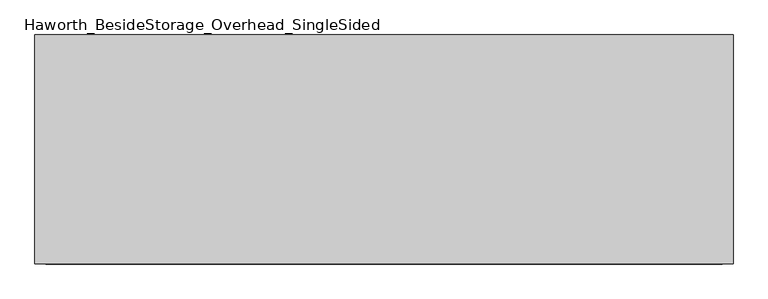
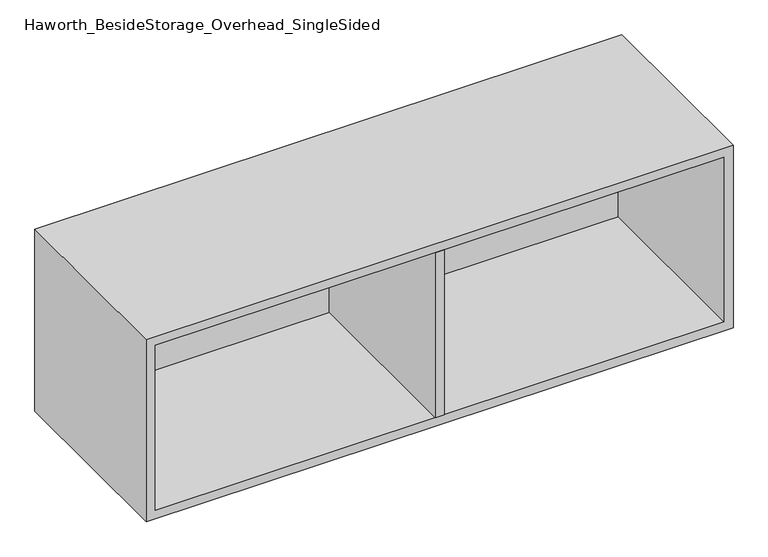
"""IFC4 building model written with IfcOpenShell, lengths in millimetres: furniture geometry, Haworth_BesideStorage_Overhead_SingleSided."""

from ifc_helpers import new_model, si_unit, frame, origin, place, context, project, spatial, polyline, outline, extrude, source, transform, mapped, element, save


def haworth_besidestorage_overhead_singlesided_52085bb1(model_context):
    return source(origin(), model_context, "Body", "SweptSolid", [
        extrude(outline(polyline([(174.625, -400.05), (155.575, -400.05), (155.575, -19.05), (174.625, -19.05), (174.625, -400.05)])), frame((0.0, 0.0, 781.05), z_axis=(0.0, 0.0, 1.0), x_axis=(1.0, 0.0, 0.0)), (0.0, 0.0, 1.0), 361.95),
        extrude(outline(polyline([(755.65, -19.05), (-425.45, -19.05), (-425.45, 0.0), (755.65, 0.0), (755.65, -19.05)])), frame((0.0, 0.0, 781.05), z_axis=(0.0, 0.0, 1.0), x_axis=(1.0, 0.0, 0.0)), (0.0, 0.0, 1.0), 361.95),
        extrude(outline(polyline([(762.0, 774.7), (1162.05, 774.7), (1162.05, -444.5), (762.0, -444.5), (762.0, 774.7)]), holes=[polyline([(1143.0, 755.65), (781.05, 755.65), (781.05, -425.45), (1143.0, -425.45), (1143.0, 755.65)])]), frame((0.0, -400.05, 0.0), z_axis=(0.0, 1.0, 0.0), x_axis=(0.0, 0.0, 1.0)), (0.0, 0.0, 1.0), 400.05),
    ])


if __name__ == "__main__":
    model = new_model("IFC4")
    model_context = context("Model", 3, world=origin())
    ifc_project = project(units=[si_unit("LENGTHUNIT", "METRE", prefix="MILLI")], contexts=[model_context])
    site = spatial("IfcSite", under=ifc_project)
    building = spatial("IfcBuilding", under=site)
    placement = place(None, origin())
    haworth_besidestorage_overhead_singlesided_shape = haworth_besidestorage_overhead_singlesided_52085bb1(model_context)
    element("IfcFurniture", 1, ObjectType="Haworth_BesideStorage_Overhead_SingleSided", at=placement, inside=building, context=model_context, shape_type="MappedRepresentation", body=[
        mapped(haworth_besidestorage_overhead_singlesided_shape, transform((0.0, 0.0, 0.0), x_axis=(1.0, 0.0, 0.0), y_axis=(0.0, 1.0, 0.0), z_axis=(0.0, 0.0, 1.0))),
    ])
    save(model, "model.ifc")
